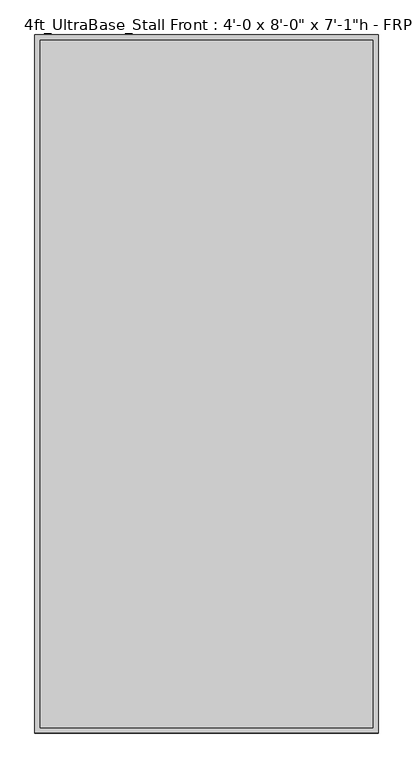
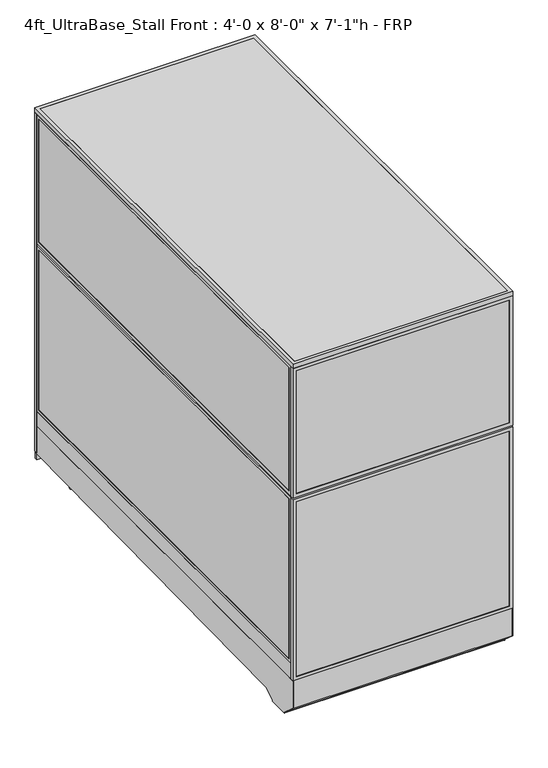
"""IFC4 building model written with IfcOpenShell, lengths in millimetres: proxy geometry."""

from ifc_helpers import new_model, si_unit, point, frame, frame_2d, origin, origin_with_axes, place, context, project, spatial, polyline, circle_curve, trimmed, segment, composite_curve, outline, extrude, source, transform, mapped, element, save


def proxy_357951ed(model_context):
    return source(origin(), model_context, "Body", "SweptSolid", [
        extrude(outline(polyline([(60.3189838, 2455.8625), (854.0810162, 2455.8625), (854.0810162, 2439.9875), (60.3189838, 2439.9875), (60.3189838, 2455.8625)])), frame((0.0, 0.0, 212.725), z_axis=(0.0, 0.0, 1.0), x_axis=(1.0, 0.0, 0.0)), (0.0, 0.0, 1.0), 1860.55),
        extrude(outline(polyline([(193.675, 41.2689838), (193.675, 873.1310162), (2092.325, 873.1310162), (2092.325, 41.2689838), (193.675, 41.2689838)]), holes=[polyline([(2073.275, 854.0810162), (212.725, 854.0810162), (212.725, 60.3189838), (2073.275, 60.3189838), (2073.275, 854.0810162)])]), frame((0.0, 2438.4, 0.0), z_axis=(0.0, 1.0, 0.0), x_axis=(0.0, 0.0, 1.0)), (0.0, 0.0, 1.0), 19.05),
        extrude(outline(polyline([(152.4, 0.0), (152.4, 914.4), (2133.6, 914.4), (2133.6, 0.0), (152.4, 0.0)]), holes=[polyline([(2114.55, 19.05), (2114.55, 895.35), (171.45, 895.35), (171.45, 19.05), (2114.55, 19.05)])]), frame((0.0, 2438.4, 0.0), z_axis=(0.0, 1.0, 0.0), x_axis=(0.0, 0.0, 1.0)), (0.0, 0.0, 1.0), 19.05),
        extrude(outline(polyline([(152.4, 1219.2), (2133.6, 1219.2), (2133.6, 914.4), (152.4, 914.4), (152.4, 1219.2)]), holes=[polyline([(171.45, 1200.15), (171.45, 933.45), (2114.55, 933.45), (2114.55, 1200.15), (171.45, 1200.15)])]), frame((0.0, 2438.4, 0.0), z_axis=(0.0, 1.0, 0.0), x_axis=(0.0, 0.0, 1.0)), (0.0, 0.0, 1.0), 19.05),
        extrude(outline(polyline([(933.45, 2455.8625), (1200.15, 2455.8625), (1200.15, 2439.9875), (933.45, 2439.9875), (933.45, 2455.8625)])), frame((0.0, 0.0, 171.45), z_axis=(0.0, 0.0, 1.0), x_axis=(1.0, 0.0, 0.0)), (0.0, 0.0, 1.0), 1943.1),
        extrude(outline(composite_curve([segment(trimmed(circle_curve(frame_2d((1110.8236459, 2287.2018426)), 38.1), [point((1072.7236459, 2287.2018426))], [point((1148.9236459, 2287.2018426))], False, "CARTESIAN"), True, "CONTINUOUS"), segment(trimmed(circle_curve(frame_2d((1110.8236459, 2287.2018426)), 38.1), [point((1148.9236459, 2287.2018426))], [point((1072.7236459, 2287.2018426))], False, "CARTESIAN"), True, "CONTINUOUS")], self_intersect=False)), frame((0.0, 0.0, 130.9806848), z_axis=(0.0, 0.0, 1.0), x_axis=(1.0, 0.0, 0.0)), (0.0, 0.0, 1.0), 12.9784433),
        extrude(outline(composite_curve([segment(trimmed(circle_curve(frame_2d((1110.8236459, 2287.2018426)), 12.7), [point((1098.1236459, 2287.2018426))], [point((1123.5236459, 2287.2018426))], False, "CARTESIAN"), True, "CONTINUOUS"), segment(trimmed(circle_curve(frame_2d((1110.8236459, 2287.2018426)), 12.7), [point((1123.5236459, 2287.2018426))], [point((1098.1236459, 2287.2018426))], False, "CARTESIAN"), True, "CONTINUOUS")], self_intersect=False)), frame((0.0, 0.0, 6.35), z_axis=(0.0, 0.0, 1.0), x_axis=(1.0, 0.0, 0.0)), (0.0, 0.0, 1.0), 124.6306848),
        extrude(outline(composite_curve([segment(trimmed(circle_curve(frame_2d((1110.8236459, 2287.2018426)), 25.4), [point((1085.4236459, 2287.2018426))], [point((1136.2236459, 2287.2018426))], False, "CARTESIAN"), True, "CONTINUOUS"), segment(trimmed(circle_curve(frame_2d((1110.8236459, 2287.2018426)), 25.4), [point((1136.2236459, 2287.2018426))], [point((1085.4236459, 2287.2018426))], False, "CARTESIAN"), True, "CONTINUOUS")], self_intersect=False)), origin_with_axes(), (0.0, 0.0, 1.0), 6.35),
        extrude(outline(composite_curve([segment(trimmed(circle_curve(frame_2d((120.2236459, 2287.2018426)), 38.1), [point((82.1236459, 2287.2018426))], [point((158.3236459, 2287.2018426))], False, "CARTESIAN"), True, "CONTINUOUS"), segment(trimmed(circle_curve(frame_2d((120.2236459, 2287.2018426)), 38.1), [point((158.3236459, 2287.2018426))], [point((82.1236459, 2287.2018426))], False, "CARTESIAN"), True, "CONTINUOUS")], self_intersect=False)), frame((0.0, 0.0, 130.9806848), z_axis=(0.0, 0.0, 1.0), x_axis=(1.0, 0.0, 0.0)), (0.0, 0.0, 1.0), 12.9784433),
        extrude(outline(composite_curve([segment(trimmed(circle_curve(frame_2d((120.2236459, 2287.2018426)), 12.7), [point((107.5236459, 2287.2018426))], [point((132.9236459, 2287.2018426))], False, "CARTESIAN"), True, "CONTINUOUS"), segment(trimmed(circle_curve(frame_2d((120.2236459, 2287.2018426)), 12.7), [point((132.9236459, 2287.2018426))], [point((107.5236459, 2287.2018426))], False, "CARTESIAN"), True, "CONTINUOUS")], self_intersect=False)), frame((0.0, 0.0, 6.35), z_axis=(0.0, 0.0, 1.0), x_axis=(1.0, 0.0, 0.0)), (0.0, 0.0, 1.0), 124.6306848),
        extrude(outline(composite_curve([segment(trimmed(circle_curve(frame_2d((120.2236459, 2287.2018426)), 25.4), [point((94.8236459, 2287.2018426))], [point((145.6236459, 2287.2018426))], False, "CARTESIAN"), True, "CONTINUOUS"), segment(trimmed(circle_curve(frame_2d((120.2236459, 2287.2018426)), 25.4), [point((145.6236459, 2287.2018426))], [point((94.8236459, 2287.2018426))], False, "CARTESIAN"), True, "CONTINUOUS")], self_intersect=False)), origin_with_axes(), (0.0, 0.0, 1.0), 6.35),
        extrude(outline(composite_curve([segment(trimmed(circle_curve(frame_2d((120.2236459, 331.9496116)), 38.1), [point((82.1236459, 331.9496116))], [point((158.3236459, 331.9496116))], False, "CARTESIAN"), True, "CONTINUOUS"), segment(trimmed(circle_curve(frame_2d((120.2236459, 331.9496116)), 38.1), [point((158.3236459, 331.9496116))], [point((82.1236459, 331.9496116))], False, "CARTESIAN"), True, "CONTINUOUS")], self_intersect=False)), frame((0.0, 0.0, 103.9931848), z_axis=(0.0, 0.0, 1.0), x_axis=(1.0, 0.0, 0.0)), (0.0, 0.0, 1.0), 12.9784433),
        extrude(outline(composite_curve([segment(trimmed(circle_curve(frame_2d((120.2236459, 331.9496116)), 12.7), [point((107.5236459, 331.9496116))], [point((132.9236459, 331.9496116))], False, "CARTESIAN"), True, "CONTINUOUS"), segment(trimmed(circle_curve(frame_2d((120.2236459, 331.9496116)), 12.7), [point((132.9236459, 331.9496116))], [point((107.5236459, 331.9496116))], False, "CARTESIAN"), True, "CONTINUOUS")], self_intersect=False)), frame((0.0, 0.0, 6.35), z_axis=(0.0, 0.0, 1.0), x_axis=(1.0, 0.0, 0.0)), (0.0, 0.0, 1.0), 97.6431848),
        extrude(outline(composite_curve([segment(trimmed(circle_curve(frame_2d((120.2236459, 331.9496116)), 25.4), [point((94.8236459, 331.9496116))], [point((145.6236459, 331.9496116))], False, "CARTESIAN"), True, "CONTINUOUS"), segment(trimmed(circle_curve(frame_2d((120.2236459, 331.9496116)), 25.4), [point((145.6236459, 331.9496116))], [point((94.8236459, 331.9496116))], False, "CARTESIAN"), True, "CONTINUOUS")], self_intersect=False)), origin_with_axes(), (0.0, 0.0, 1.0), 6.35),
        extrude(outline(composite_curve([segment(trimmed(circle_curve(frame_2d((1110.8236459, 331.9496116)), 38.1), [point((1072.7236459, 331.9496116))], [point((1148.9236459, 331.9496116))], False, "CARTESIAN"), True, "CONTINUOUS"), segment(trimmed(circle_curve(frame_2d((1110.8236459, 331.9496116)), 38.1), [point((1148.9236459, 331.9496116))], [point((1072.7236459, 331.9496116))], False, "CARTESIAN"), True, "CONTINUOUS")], self_intersect=False)), frame((0.0, 0.0, 103.9931848), z_axis=(0.0, 0.0, 1.0), x_axis=(1.0, 0.0, 0.0)), (0.0, 0.0, 1.0), 12.9784433),
        extrude(outline(composite_curve([segment(trimmed(circle_curve(frame_2d((1110.8236459, 331.9496116)), 12.7), [point((1098.1236459, 331.9496116))], [point((1123.5236459, 331.9496116))], False, "CARTESIAN"), True, "CONTINUOUS"), segment(trimmed(circle_curve(frame_2d((1110.8236459, 331.9496116)), 12.7), [point((1123.5236459, 331.9496116))], [point((1098.1236459, 331.9496116))], False, "CARTESIAN"), True, "CONTINUOUS")], self_intersect=False)), frame((0.0, 0.0, 6.35), z_axis=(0.0, 0.0, 1.0), x_axis=(1.0, 0.0, 0.0)), (0.0, 0.0, 1.0), 97.6431848),
        extrude(outline(composite_curve([segment(trimmed(circle_curve(frame_2d((1110.8236459, 331.9496116)), 25.4), [point((1085.4236459, 331.9496116))], [point((1136.2236459, 331.9496116))], False, "CARTESIAN"), True, "CONTINUOUS"), segment(trimmed(circle_curve(frame_2d((1110.8236459, 331.9496116)), 25.4), [point((1136.2236459, 331.9496116))], [point((1085.4236459, 331.9496116))], False, "CARTESIAN"), True, "CONTINUOUS")], self_intersect=False)), origin_with_axes(), (0.0, 0.0, 1.0), 6.35),
        extrude(outline(polyline([(-19.05, 304.8), (2444.75, 304.8), (2444.75, 143.3232444), (238.733612, 113.4956461), (175.3928625, 76.9258473), (175.3928625, 69.0977369), (59.8970382, 69.0977369), (59.8970382, 73.3553835), (-19.05, 144.439616), (-19.05, 304.8)])), frame((0.0, 0.0, 0.0), z_axis=(1.0, 0.0, 0.0), x_axis=(0.0, 1.0, 0.0)), (0.0, 0.0, 1.0), 3.175),
        extrude(outline(polyline([(-19.05, 304.8), (2444.75, 304.8), (2444.75, 143.3232444), (238.733612, 113.4956461), (175.3928625, 76.9258473), (175.3928625, 69.0977369), (59.8970382, 69.0977369), (59.8970382, 73.3553835), (-19.05, 144.439616), (-19.05, 304.8)])), frame((1216.025, 0.0, 0.0), z_axis=(1.0, 0.0, 0.0), x_axis=(0.0, 1.0, 0.0)), (0.0, 0.0, 1.0), 3.175),
        extrude(outline(polyline([(2444.75, 104.78262), (2444.75, 144.8342358), (238.733612, 113.4956461), (175.3928625, 76.9258473), (175.3928625, 69.0977369), (59.8970382, 69.0977369), (59.8970382, 73.3553835), (-19.05, 144.439616), (-19.05, 304.8), (-10.9434074, 304.8), (-10.9434074, 236.4996867), (-5.6766373, 236.4996867), (-2.6025146, 148.4683295), (68.18203, 84.7336392), (68.18203, 79.4164869), (167.804636, 79.4164869), (167.804636, 86.088281), (237.0845322, 126.0870477), (2457.45, 157.8890047), (2457.45, 104.78262), (2444.75, 104.78262)])), frame((3.175, 0.0, 0.0), z_axis=(1.0, 0.0, 0.0), x_axis=(0.0, 1.0, 0.0)), (0.0, 0.0, 1.0), 1212.85),
        extrude(outline(polyline([(1366.8375, 1219.2), (1366.8375, 0.0), (304.8, 0.0), (304.8, 1219.2), (1366.8375, 1219.2)]), holes=[polyline([(323.85, 1200.15), (323.85, 19.05), (1347.7875, 19.05), (1347.7875, 1200.15), (323.85, 1200.15)])]), frame((0.0, -19.05, 0.0), z_axis=(0.0, 1.0, 0.0), x_axis=(0.0, 0.0, 1.0)), (0.0, 0.0, 1.0), 19.05),
        extrude(outline(polyline([(1376.3625, 1219.2), (2133.6, 1219.2), (2133.6, 0.0), (1376.3625, 0.0), (1376.3625, 1219.2)]), holes=[polyline([(2114.55, 1200.15), (1395.4125, 1200.15), (1395.4125, 19.05), (2114.55, 19.05), (2114.55, 1200.15)])]), frame((0.0, -19.05, 0.0), z_axis=(0.0, 1.0, 0.0), x_axis=(0.0, 0.0, 1.0)), (0.0, 0.0, 1.0), 19.05),
        extrude(outline(polyline([(1200.15, -17.4625), (19.05, -17.4625), (19.05, -1.5875), (1200.15, -1.5875), (1200.15, -17.4625)])), frame((0.0, 0.0, 323.85), z_axis=(0.0, 0.0, 1.0), x_axis=(1.0, 0.0, 0.0)), (0.0, 0.0, 1.0), 1023.9375),
        extrude(outline(polyline([(1200.15, -17.4625), (19.05, -17.4625), (19.05, -1.5875), (1200.15, -1.5875), (1200.15, -17.4625)])), frame((0.0, 0.0, 1395.4125), z_axis=(0.0, 0.0, 1.0), x_axis=(1.0, 0.0, 0.0)), (0.0, 0.0, 1.0), 719.1375),
        extrude(outline(polyline([(1200.15, 0.0), (1200.15, 2438.4), (1219.2, 2438.4), (1219.2, 0.0), (1200.15, 0.0)])), frame((0.0, 0.0, 304.8), z_axis=(0.0, 0.0, 1.0), x_axis=(1.0, 0.0, 0.0)), (0.0, 0.0, 1.0), 88.9),
        extrude(outline(polyline([(2438.4, 393.7), (0.0, 393.7), (0.0, 1366.8375), (2438.4, 1366.8375), (2438.4, 393.7)]), holes=[polyline([(2419.35, 1347.7875), (19.05, 1347.7875), (19.05, 412.75), (2419.35, 412.75), (2419.35, 1347.7875)])]), frame((1200.15, 0.0, 0.0), z_axis=(1.0, 0.0, 0.0), x_axis=(0.0, 1.0, 0.0)), (0.0, 0.0, 1.0), 19.05),
        extrude(outline(polyline([(0.0, 1376.3625), (0.0, 2133.6), (2438.4, 2133.6), (2438.4, 1376.3625), (0.0, 1376.3625)]), holes=[polyline([(19.05, 2114.55), (19.05, 1395.4125), (2419.35, 1395.4125), (2419.35, 2114.55), (19.05, 2114.55)])]), frame((1200.15, 0.0, 0.0), z_axis=(1.0, 0.0, 0.0), x_axis=(0.0, 1.0, 0.0)), (0.0, 0.0, 1.0), 19.05),
        extrude(outline(polyline([(1201.7375, 19.05), (1201.7375, 2419.35), (1217.6125, 2419.35), (1217.6125, 19.05), (1201.7375, 19.05)])), frame((0.0, 0.0, 412.75), z_axis=(0.0, 0.0, 1.0), x_axis=(1.0, 0.0, 0.0)), (0.0, 0.0, 1.0), 935.0375),
        extrude(outline(polyline([(1201.7375, 19.05), (1201.7375, 2419.35), (1217.6125, 2419.35), (1217.6125, 19.05), (1201.7375, 19.05)])), frame((0.0, 0.0, 1395.4125), z_axis=(0.0, 0.0, 1.0), x_axis=(1.0, 0.0, 0.0)), (0.0, 0.0, 1.0), 719.1375),
        extrude(outline(polyline([(0.0, 0.0), (0.0, 2438.4), (19.05, 2438.4), (19.05, 0.0), (0.0, 0.0)])), frame((0.0, 0.0, 304.8), z_axis=(0.0, 0.0, 1.0), x_axis=(1.0, 0.0, 0.0)), (0.0, 0.0, 1.0), 88.9),
        extrude(outline(polyline([(2438.4, 393.7), (0.0, 393.7), (0.0, 1366.8375), (2438.4, 1366.8375), (2438.4, 393.7)]), holes=[polyline([(2419.35, 1347.7875), (19.05, 1347.7875), (19.05, 412.75), (2419.35, 412.75), (2419.35, 1347.7875)])]), frame((0.0, 0.0, 0.0), z_axis=(1.0, 0.0, 0.0), x_axis=(0.0, 1.0, 0.0)), (0.0, 0.0, 1.0), 19.05),
        extrude(outline(polyline([(0.0, 1376.3625), (0.0, 2133.6), (2438.4, 2133.6), (2438.4, 1376.3625), (0.0, 1376.3625)]), holes=[polyline([(19.05, 2114.55), (19.05, 1395.4125), (2419.35, 1395.4125), (2419.35, 2114.55), (19.05, 2114.55)])]), frame((0.0, 0.0, 0.0), z_axis=(1.0, 0.0, 0.0), x_axis=(0.0, 1.0, 0.0)), (0.0, 0.0, 1.0), 19.05),
        extrude(outline(polyline([(1.5875, 19.05), (1.5875, 2419.35), (17.4625, 2419.35), (17.4625, 19.05), (1.5875, 19.05)])), frame((0.0, 0.0, 412.75), z_axis=(0.0, 0.0, 1.0), x_axis=(1.0, 0.0, 0.0)), (0.0, 0.0, 1.0), 935.0375),
        extrude(outline(polyline([(1.5875, 19.05), (1.5875, 2419.35), (17.4625, 2419.35), (17.4625, 19.05), (1.5875, 19.05)])), frame((0.0, 0.0, 1395.4125), z_axis=(0.0, 0.0, 1.0), x_axis=(1.0, 0.0, 0.0)), (0.0, 0.0, 1.0), 719.1375),
        extrude(outline(polyline([(1187.45, 622.3), (1187.45, 609.6), (31.75, 609.6), (31.75, 622.3), (1187.45, 622.3)])), frame((0.0, 0.0, 152.4), z_axis=(0.0, 0.0, 1.0), x_axis=(1.0, 0.0, 0.0)), (0.0, 0.0, 1.0), 152.4),
        extrude(outline(polyline([(1187.45, 622.3), (1187.45, 12.7), (31.75, 12.7), (31.75, 622.3), (1187.45, 622.3)])), frame((0.0, 0.0, 304.8), z_axis=(0.0, 0.0, 1.0), x_axis=(1.0, 0.0, 0.0)), (0.0, 0.0, 1.0), 12.7),
        extrude(outline(polyline([(1219.2, 2457.45), (1219.2, -19.05), (0.0, -19.05), (0.0, 2457.45), (1219.2, 2457.45)]), holes=[polyline([(1200.15, 2438.4), (19.05, 2438.4), (19.05, 0.0), (1200.15, 0.0), (1200.15, 2438.4)])]), frame((0.0, 0.0, 2133.6), z_axis=(0.0, 0.0, 1.0), x_axis=(1.0, 0.0, 0.0)), (0.0, 0.0, 1.0), 25.4),
        extrude(outline(polyline([(19.05, 2438.4), (1200.15, 2438.4), (1200.15, 0.0), (19.05, 0.0), (19.05, 2438.4)])), frame((0.0, 0.0, 2133.6), z_axis=(0.0, 0.0, 1.0), x_axis=(1.0, 0.0, 0.0)), (0.0, 0.0, 1.0), 25.4),
    ])


if __name__ == "__main__":
    model = new_model("IFC4")
    model_context = context("Model", 3, world=origin())
    ifc_project = project(units=[si_unit("LENGTHUNIT", "METRE", prefix="MILLI")], contexts=[model_context])
    site = spatial("IfcSite", under=ifc_project)
    building = spatial("IfcBuilding", under=site)
    placement = place(None, origin())
    proxy_shape = proxy_357951ed(model_context)
    element("IfcBuildingElementProxy", 1, Name="4ft_UltraBase_Stall Front : 4'-0 x 8'-0\" x 7'-1\"h - FRP", ObjectType="4ft_UltraBase_Stall Front : 4'-0 x 8'-0\" x 7'-1\"h - FRP", at=placement, inside=building, context=model_context, shape_type="MappedRepresentation", body=[
        mapped(proxy_shape, transform((0.0, 0.0, 0.0), x_axis=(1.0, 0.0, 0.0), y_axis=(0.0, 1.0, 0.0), z_axis=(0.0, 0.0, 1.0))),
    ])
    save(model, "model.ifc")
